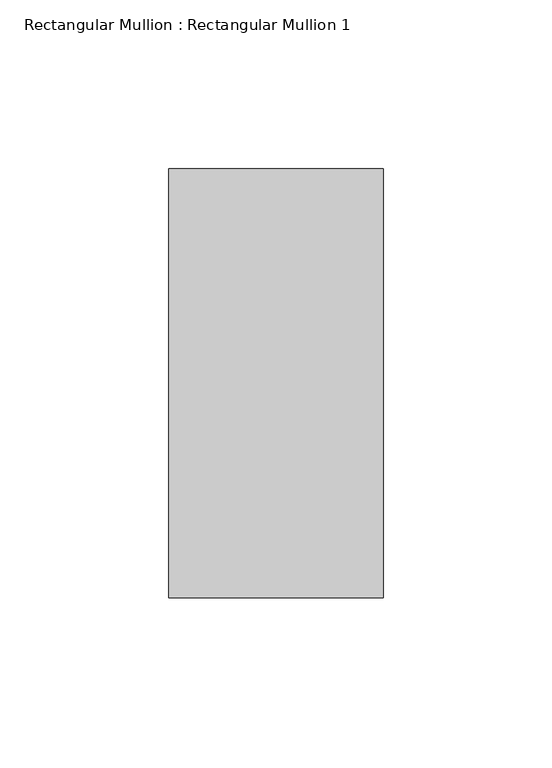
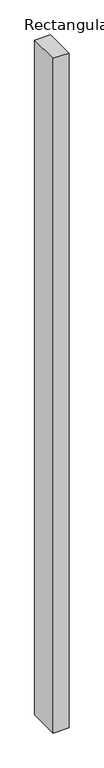
"""IFC4 building model written with IfcOpenShell, lengths in millimetres: member geometry, Rectangular Mullion : Rectangular Mullion 1."""

from ifc_helpers import new_model, si_unit, frame, origin, place, context, project, spatial, polyline, outline, extrude, source, transform, mapped, element, save


def rectangular_mullion_rectangular_mullion_1_29a84c03(model_context):
    return source(origin(), model_context, "Body", "SweptSolid", [
        extrude(outline(polyline([(31.75, 63.5), (31.75, -63.5), (-31.75, -63.5), (-31.75, 63.5), (31.75, 63.5)])), frame((0.0, 0.0, -2838.2583033), z_axis=(0.0, 0.0, 1.0), x_axis=(1.0, 0.0, 0.0)), (0.0, 0.0, 1.0), 2838.2583033),
    ])


if __name__ == "__main__":
    model = new_model("IFC4")
    model_context = context("Model", 3, world=origin())
    ifc_project = project(units=[si_unit("LENGTHUNIT", "METRE", prefix="MILLI")], contexts=[model_context])
    site = spatial("IfcSite", under=ifc_project)
    building = spatial("IfcBuilding", under=site)
    placement = place(None, origin())
    rectangular_mullion_rectangular_mullion_1_shape = rectangular_mullion_rectangular_mullion_1_29a84c03(model_context)
    element("IfcMember", 1, ObjectType="Rectangular Mullion : Rectangular Mullion 1", at=placement, inside=building, context=model_context, shape_type="MappedRepresentation", body=[
        mapped(rectangular_mullion_rectangular_mullion_1_shape, transform((0.0, 0.0, 0.0), x_axis=(1.0, 0.0, 0.0), y_axis=(0.0, 1.0, 0.0), z_axis=(0.0, 0.0, 1.0))),
    ])
    save(model, "model.ifc")
